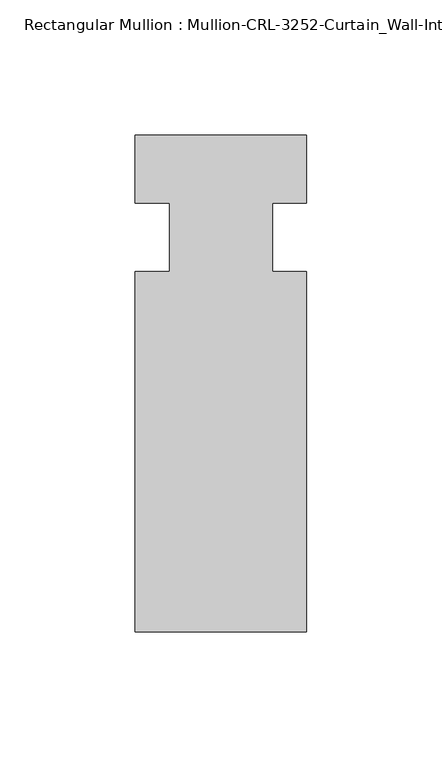
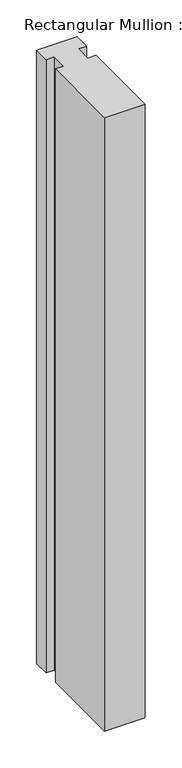
"""IFC4 building model written with IfcOpenShell, lengths in millimetres: member geometry, Rectangular Mullion : Mullion-CRL-3252-Curtain_Wall-Intermediate_Horizontal."""

from ifc_helpers import new_model, si_unit, frame, origin, place, context, project, spatial, polyline, outline, extrude, source, transform, mapped, element, save


def rectangular_mullion_mullion_crl_3252_curtain_wall_57df1836(model_context):
    return source(origin(), model_context, "Body", "SweptSolid", [
        extrude(outline(polyline([(31.7997793, -146.0054758), (-31.7000602, -146.0054758), (-31.7000602, -12.7), (-19.008026, -12.7), (-19.008026, 12.7), (-31.7000602, 12.7), (-31.7000602, 37.8598496), (31.7997793, 37.8598496), (31.7997793, 12.7), (19.0940404, 12.7), (19.0940404, -12.7), (31.7997793, -12.7), (31.7997793, -146.0054758)])), frame((0.0, 0.0, -1015.5836137), z_axis=(0.0, 0.0, 1.0), x_axis=(1.0, 0.0, 0.0)), (0.0, 0.0, 1.0), 1015.5836137),
    ])


if __name__ == "__main__":
    model = new_model("IFC4")
    model_context = context("Model", 3, world=origin())
    ifc_project = project(units=[si_unit("LENGTHUNIT", "METRE", prefix="MILLI")], contexts=[model_context])
    site = spatial("IfcSite", under=ifc_project)
    building = spatial("IfcBuilding", under=site)
    placement = place(None, origin())
    rectangular_mullion_mullion_crl_3252_curtain_wall_shape = rectangular_mullion_mullion_crl_3252_curtain_wall_57df1836(model_context)
    element("IfcMember", 1, ObjectType="Rectangular Mullion : Mullion-CRL-3252-Curtain_Wall-Intermediate_Horizontal", at=placement, inside=building, context=model_context, shape_type="MappedRepresentation", body=[
        mapped(rectangular_mullion_mullion_crl_3252_curtain_wall_shape, transform((0.0, 0.0, 0.0), x_axis=(1.0, 0.0, 0.0), y_axis=(0.0, 1.0, 0.0), z_axis=(0.0, 0.0, 1.0))),
    ])
    save(model, "model.ifc")
